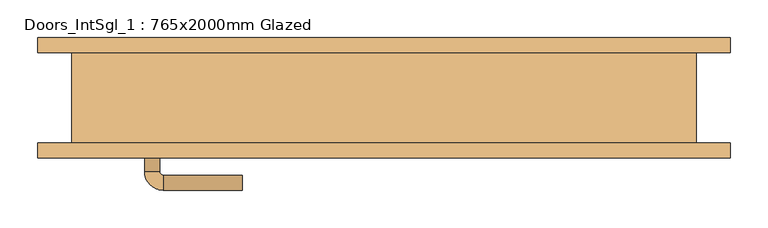
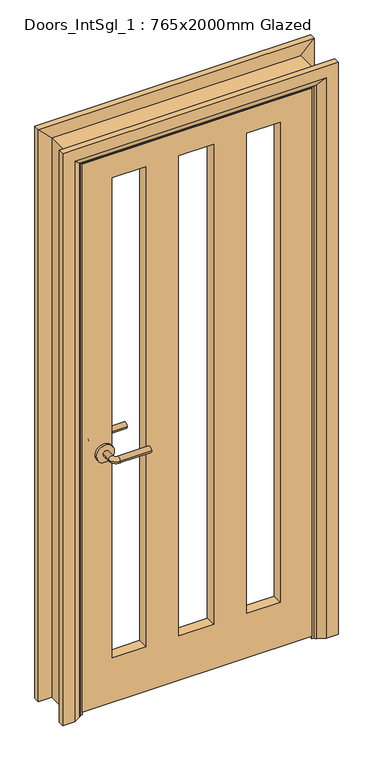
"""IFC4 building model written with IfcOpenShell, lengths in millimetres: door geometry, Doors_IntSgl_1 : 765x2000mm Glazed."""

from ifc_helpers import new_model, si_unit, point, frame, frame_2d, origin, place, context, project, spatial, polyline, circle_curve, ellipse_curve, trimmed, segment, composite_curve, outline, extrude, faceted_brep, source, transform, mapped, element, save
from ifc_brep_helpers import plane_surface, cylinder_surface, revolved_surface, advanced_brep


def doors_intsgl_1_765x2000mm_glazed_9d7782f7(model_context):
    return source(origin(), model_context, "Body", "SolidModel", [
        advanced_brep(
        [(-318.0, -17.0, 900.0), (-298.0, -17.0, 900.0), (-318.0, 13.0, 900.0), (-298.0, 13.0, 900.0), (-293.0, 18.0, 900.0), (-293.0, 38.0, 900.0), (-188.0, 38.0, 900.0), (-188.0, 18.0, 900.0)],
        [
            (0, 1, circle_curve(frame((-308.0, -17.0, 900.0), z_axis=(0.0, -1.0, 0.0), x_axis=(1.0, 0.0, 0.0)), 10.0)),
            (1, 0, circle_curve(frame((-308.0, -17.0, 900.0), z_axis=(0.0, -1.0, 0.0), x_axis=(1.0, 0.0, 0.0)), 10.0)),
            (0, 2),
            (2, 3, circle_curve(frame((-308.0, 13.0, 900.0), z_axis=(0.0, -1.0, 0.0), x_axis=(1.0, 0.0, 0.0)), 10.0)),
            (3, 1),
            (3, 2, circle_curve(frame((-308.0, 13.0, 900.0), z_axis=(0.0, -1.0, 0.0), x_axis=(1.0, 0.0, 0.0)), 10.0)),
            (4, 3, circle_curve(frame((-293.0, 13.0, 900.0), z_axis=(0.0, 0.0, 1.0), x_axis=(-1.0, 0.0, 0.0)), 5.0)),
            (2, 5, circle_curve(frame((-293.0, 13.0, 900.0), z_axis=(0.0, 0.0, -1.0), x_axis=(-1.0, 0.0, 0.0)), 25.0)),
            (5, 4, circle_curve(frame((-293.0, 28.0, 900.0), z_axis=(-1.0, 0.0, 0.0), x_axis=(0.0, -1.0, 0.0)), 10.0)),
            (4, 5, circle_curve(frame((-293.0, 28.0, 900.0), z_axis=(-1.0, 0.0, 0.0), x_axis=(0.0, -1.0, 0.0)), 10.0)),
            (6, 7, circle_curve(frame((-188.0, 28.0, 900.0), z_axis=(1.0, 0.0, 0.0), x_axis=(0.0, -1.0, 0.0)), 10.0)),
            (7, 6, circle_curve(frame((-188.0, 28.0, 900.0), z_axis=(1.0, 0.0, 0.0), x_axis=(0.0, -1.0, 0.0)), 10.0)),
            (5, 6),
            (7, 4),
        ],
        [
            plane_surface(frame((-308.0, -17.0, 900.0), z_axis=(0.0, -1.0, 0.0), x_axis=(0.0, 0.0, 1.0))),
            cylinder_surface(frame((-308.0, -17.0, 900.0), z_axis=(0.0, -1.0, 0.0), x_axis=(1.0, 0.0, 0.0)), 10.0),
            revolved_surface(trimmed(ellipse_curve(frame((-308.0, 13.0, 900.0), z_axis=(0.0, -1.0, 0.0), x_axis=(1.0, 0.0, 0.0)), 10.0, 10.0), [point((-318.0, 13.0, 900.0))], [point((-298.0, 13.0, 900.0))], True, "CARTESIAN"), (-293.0, 13.0, 900.0), (0.0, 0.0, -1.0)),
            revolved_surface(trimmed(ellipse_curve(frame((-308.0, 13.0, 900.0), z_axis=(0.0, -1.0, 0.0), x_axis=(1.0, 0.0, 0.0)), 10.0, 10.0), [point((-298.0, 13.0, 900.0))], [point((-318.0, 13.0, 900.0))], True, "CARTESIAN"), (-293.0, 13.0, 900.0), (0.0, 0.0, -1.0)),
            plane_surface(frame((-188.0, 28.0, 900.0), z_axis=(1.0, 0.0, 0.0), x_axis=(0.0, 0.0, 1.0))),
            cylinder_surface(frame((-293.0, 28.0, 900.0), z_axis=(-1.0, 0.0, 0.0), x_axis=(0.0, -1.0, 0.0)), 10.0),
        ],
        [
            (0, [[1, 2]]),
            (1, [[-1, 3, 4, 5]]),
            (1, [[-2, -5, 6, -3]]),
            (2, [[7, -4, 8, 9]]),
            (3, [[-8, -6, -7, 10]]),
            (4, [[11, 12]]),
            (5, [[-9, 13, -12, 14]]),
            (5, [[-10, -14, -11, -13]]),
        ],
    ),
        extrude(outline(composite_curve([segment(trimmed(circle_curve(frame_2d((900.0, -310.5)), 30.0), [point((900.0, -340.5))], [point((900.0, -280.5))], False, "CARTESIAN"), True, "CONTINUOUS"), segment(trimmed(circle_curve(frame_2d((900.0, -310.5)), 30.0), [point((900.0, -280.5))], [point((900.0, -340.5))], False, "CARTESIAN"), True, "CONTINUOUS")], self_intersect=False)), frame((0.0, -25.0, 0.0), z_axis=(0.0, 1.0, 0.0), x_axis=(0.0, 0.0, 1.0)), (0.0, 0.0, 1.0), 8.0),
        advanced_brep(
        [(-318.0, -68.0, 900.0), (-298.0, -68.0, 900.0), (-298.0, -98.0, 900.0), (-318.0, -98.0, 900.0), (-293.0, -103.0, 900.0), (-293.0, -123.0, 900.0), (-188.0, -123.0, 900.0), (-188.0, -103.0, 900.0)],
        [
            (0, 1, circle_curve(frame((-308.0, -68.0, 900.0), z_axis=(0.0, 1.0, 0.0), x_axis=(1.0, 0.0, 0.0)), 10.0)),
            (1, 0, circle_curve(frame((-308.0, -68.0, 900.0), z_axis=(0.0, 1.0, 0.0), x_axis=(1.0, 0.0, 0.0)), 10.0)),
            (1, 2),
            (2, 3, circle_curve(frame((-308.0, -98.0, 900.0), z_axis=(0.0, 1.0, 0.0), x_axis=(1.0, 0.0, 0.0)), 10.0)),
            (3, 0),
            (3, 2, circle_curve(frame((-308.0, -98.0, 900.0), z_axis=(0.0, 1.0, 0.0), x_axis=(1.0, 0.0, 0.0)), 10.0)),
            (4, 5, circle_curve(frame((-293.0, -113.0, 900.0), z_axis=(-1.0, 0.0, 0.0), x_axis=(0.0, 1.0, 0.0)), 10.0)),
            (5, 3, circle_curve(frame((-293.0, -98.0, 900.0), z_axis=(0.0, 0.0, -1.0), x_axis=(-1.0, 0.0, 0.0)), 25.0)),
            (2, 4, circle_curve(frame((-293.0, -98.0, 900.0), z_axis=(0.0, 0.0, 1.0), x_axis=(-1.0, 0.0, 0.0)), 5.0)),
            (5, 4, circle_curve(frame((-293.0, -113.0, 900.0), z_axis=(-1.0, 0.0, 0.0), x_axis=(0.0, 1.0, 0.0)), 10.0)),
            (6, 7, circle_curve(frame((-188.0, -113.0, 900.0), z_axis=(1.0, 0.0, 0.0), x_axis=(0.0, 1.0, 0.0)), 10.0)),
            (7, 6, circle_curve(frame((-188.0, -113.0, 900.0), z_axis=(1.0, 0.0, 0.0), x_axis=(0.0, 1.0, 0.0)), 10.0)),
            (4, 7),
            (6, 5),
        ],
        [
            plane_surface(frame((-308.0, -68.0, 900.0), z_axis=(0.0, 1.0, 0.0), x_axis=(0.0, 0.0, 1.0))),
            cylinder_surface(frame((-308.0, -68.0, 900.0), z_axis=(0.0, 1.0, 0.0), x_axis=(1.0, 0.0, 0.0)), 10.0),
            revolved_surface(trimmed(ellipse_curve(frame((-308.0, -98.0, 900.0), z_axis=(0.0, -1.0, 0.0), x_axis=(1.0, 0.0, 0.0)), 10.0, 10.0), [point((-318.0, -98.0, 900.0))], [point((-298.0, -98.0, 900.0))], True, "CARTESIAN"), (-293.0, -98.0, 900.0), (0.0, 0.0, -1.0)),
            revolved_surface(trimmed(ellipse_curve(frame((-308.0, -98.0, 900.0), z_axis=(0.0, -1.0, 0.0), x_axis=(1.0, 0.0, 0.0)), 10.0, 10.0), [point((-298.0, -98.0, 900.0))], [point((-318.0, -98.0, 900.0))], True, "CARTESIAN"), (-293.0, -98.0, 900.0), (0.0, 0.0, -1.0)),
            plane_surface(frame((-188.0, -113.0, 900.0), z_axis=(1.0, 0.0, 0.0), x_axis=(0.0, 0.0, 1.0))),
            cylinder_surface(frame((-293.0, -113.0, 900.0), z_axis=(-1.0, 0.0, 0.0), x_axis=(0.0, 1.0, 0.0)), 10.0),
        ],
        [
            (0, [[1, 2]]),
            (1, [[3, 4, 5, -2]]),
            (1, [[-5, 6, -3, -1]]),
            (2, [[7, 8, -4, 9]]),
            (3, [[10, -9, -6, -8]]),
            (4, [[11, 12]]),
            (5, [[13, -11, 14, -7]]),
            (5, [[-14, -12, -13, -10]]),
        ],
    ),
        extrude(outline(composite_curve([segment(trimmed(circle_curve(frame_2d((900.0, -310.5)), 30.0), [point((900.0, -340.5))], [point((900.0, -280.5))], False, "CARTESIAN"), True, "CONTINUOUS"), segment(trimmed(circle_curve(frame_2d((900.0, -310.5)), 30.0), [point((900.0, -280.5))], [point((900.0, -340.5))], False, "CARTESIAN"), True, "CONTINUOUS")], self_intersect=False)), frame((0.0, -68.0, 0.0), z_axis=(0.0, 1.0, 0.0), x_axis=(0.0, 0.0, 1.0)), (0.0, 0.0, 1.0), 8.0),
        extrude(outline(polyline([(1941.0, -383.0), (8.0, -383.0), (8.0, 383.0), (1941.0, 383.0), (1941.0, -383.0)]), holes=[polyline([(165.9867055, -60.7079267), (1858.9867055, -60.7079267), (1858.9867055, 55.2920733), (165.9867055, 55.2920733), (165.9867055, -60.7079267)]), polyline([(1858.9867055, -170.7079267), (165.9867055, -170.7079267), (165.9867055, -282.7079267), (1858.9867055, -282.7079267), (1858.9867055, -170.7079267)]), polyline([(165.9867055, 165.2920733), (1858.9867055, 165.2920733), (1858.9867055, 277.2920733), (165.9867055, 277.2920733), (165.9867055, 165.2920733)])]), frame((0.0, -60.0, 0.0), z_axis=(0.0, 1.0, 0.0), x_axis=(0.0, 0.0, 1.0)), (0.0, 0.0, 1.0), 35.0),
        advanced_brep(
        [(460.0, -80.0, 0.0), (420.0, -80.0, 0.0), (394.0, -66.0, 0.0), (390.0, -60.0, 0.0), (460.0, -60.0, 0.0), (460.0, -60.0, 2018.0), (460.0, -80.0, 2018.0), (390.0, -60.0, 1948.0), (-390.0, -60.0, 1948.0), (-390.0, -60.0, 0.0), (-460.0, -60.0, 0.0), (-460.0, -60.0, 2018.0), (394.0, -66.0, 1952.0), (420.0, -80.0, 1978.0), (-460.0, -80.0, 2018.0), (-460.0, -80.0, 0.0), (-420.0, -80.0, 0.0), (-420.0, -80.0, 1978.0), (-394.0, -66.0, 0.0), (-394.0, -66.0, 1952.0)],
        [
            (0, 1),
            (1, 2),
            (2, 3, circle_curve(frame((398.0, -59.0, 0.0), z_axis=(0.0, 0.0, -1.0), x_axis=(1.0, 0.0, 0.0)), 8.0622577)),
            (3, 4),
            (4, 0),
            (4, 5),
            (5, 6),
            (6, 0),
            (3, 7),
            (7, 8),
            (8, 9),
            (9, 10),
            (10, 11),
            (11, 5),
            (2, 12),
            (12, 7, ellipse_curve(frame((398.0, -59.0, 1956.0), z_axis=(0.7071067811865475, 0.0, -0.7071067811865475), x_axis=(-0.7071067811865474, 0.0, -0.7071067811865476)), 11.4017543, 8.0622577)),
            (1, 13),
            (13, 12),
            (6, 14),
            (14, 15),
            (15, 16),
            (16, 17),
            (17, 13),
            (10, 15),
            (14, 11),
            (9, 18, circle_curve(frame((-398.0, -59.0, 0.0), z_axis=(0.0, 0.0, -1.0), x_axis=(-1.0, 0.0, 0.0)), 8.0622577)),
            (18, 16),
            (19, 18),
            (8, 19, ellipse_curve(frame((-398.0, -59.0, 1956.0), z_axis=(-0.7071067811865475, 0.0, -0.7071067811865475), x_axis=(-0.7071067811865474, 0.0, 0.7071067811865476)), 11.4017543, 8.0622577)),
            (19, 17),
            (12, 19),
        ],
        [
            plane_surface(frame((390.0, -60.0, 0.0), z_axis=(0.0, 0.0, -1.0), x_axis=(0.0, 1.0, 0.0))),
            plane_surface(frame((460.0, -80.0, 0.0), z_axis=(1.0, 0.0, 0.0), x_axis=(0.0, 0.0, 1.0))),
            plane_surface(frame((460.0, -60.0, 0.0), z_axis=(0.0, 1.0, 0.0), x_axis=(0.0, 0.0, 1.0))),
            cylinder_surface(frame((398.0, -59.0, 0.0), z_axis=(0.0, 0.0, -1.0), x_axis=(1.0, 0.0, 0.0)), 8.0622577),
            plane_surface(frame((394.0, -66.0, 0.0), z_axis=(-0.4740998230350126, -0.880471099922178, 0.0), x_axis=(0.0, 0.0, 1.0))),
            plane_surface(frame((420.0, -80.0, 0.0), z_axis=(0.0, -1.0, 0.0), x_axis=(0.0, 0.0, 1.0))),
            plane_surface(frame((-460.0, -80.0, 2018.0), z_axis=(-1.0, 0.0, 0.0), x_axis=(0.0, 0.0, -1.0))),
            plane_surface(frame((-390.0, -60.0, 0.0), z_axis=(0.0, 0.0, -1.0), x_axis=(0.0, 1.0, 0.0))),
            cylinder_surface(frame((-398.0, -59.0, 1948.0), z_axis=(0.0, 0.0, 1.0), x_axis=(-1.0, 0.0, 0.0)), 8.0622577),
            plane_surface(frame((-394.0, -66.0, 1952.0), z_axis=(0.47409982303501824, -0.8804710999221749, 0.0), x_axis=(0.0, 0.0, -1.0))),
            plane_surface(frame((460.0, -80.0, 2018.0), z_axis=(0.0, 0.0, 1.0), x_axis=(-1.0, 0.0, 0.0))),
            cylinder_surface(frame((390.0, -59.0, 1956.0), z_axis=(1.0, 0.0, 0.0), x_axis=(0.0, 0.0, 1.0)), 8.0622577),
            plane_surface(frame((394.0, -66.0, 1952.0), z_axis=(0.0, -0.8804710999221764, -0.4740998230350154), x_axis=(-1.0, 0.0, 0.0))),
        ],
        [
            (0, [[1, 2, 3, 4, 5]]),
            (1, [[6, 7, 8, -5]]),
            (2, [[9, 10, 11, 12, 13, 14, -6, -4]]),
            (3, [[15, 16, -9, -3]]),
            (4, [[17, 18, -15, -2]]),
            (5, [[-8, 19, 20, 21, 22, 23, -17, -1]]),
            (6, [[-13, 24, -20, 25]]),
            (7, [[-24, -12, 26, 27, -21]]),
            (8, [[28, -26, -11, 29]]),
            (9, [[-22, -27, -28, 30]]),
            (10, [[-14, -25, -19, -7]]),
            (11, [[31, -29, -10, -16]]),
            (12, [[-23, -30, -31, -18]]),
        ],
    ),
        extrude(outline(polyline([(0.0, -366.0), (1924.0, -366.0), (1924.0, 366.0), (0.0, 366.0), (0.0, 385.0), (1943.0, 385.0), (1943.0, -385.0), (0.0, -385.0), (0.0, -366.0)])), frame((0.0, -23.0, 0.0), z_axis=(0.0, 1.0, 0.0), x_axis=(0.0, 0.0, 1.0)), (0.0, 0.0, 1.0), 32.0),
        advanced_brep(
        [(-460.0, 80.0, 0.0), (-420.0, 80.0, 0.0), (-394.0, 66.0, 0.0), (-390.0, 60.0, 0.0), (-460.0, 60.0, 0.0), (-460.0, 60.0, 2018.0), (-460.0, 80.0, 2018.0), (-390.0, 60.0, 1948.0), (-394.0, 66.0, 1952.0), (-420.0, 80.0, 1978.0), (460.0, 80.0, 0.0), (460.0, 60.0, 0.0), (390.0, 60.0, 0.0), (394.0, 66.0, 0.0), (420.0, 80.0, 0.0), (460.0, 80.0, 2018.0), (420.0, 80.0, 1978.0), (394.0, 66.0, 1952.0), (390.0, 60.0, 1948.0), (460.0, 60.0, 2018.0)],
        [
            (0, 1),
            (1, 2),
            (2, 3, circle_curve(frame((-398.0, 59.0, 0.0), z_axis=(0.0, 0.0, -1.0), x_axis=(-1.0, 0.0, 0.0)), 8.0622577)),
            (3, 4),
            (4, 0),
            (4, 5),
            (5, 6),
            (6, 0),
            (3, 7),
            (7, 5),
            (2, 8),
            (8, 7, ellipse_curve(frame((-398.0, 59.0, 1956.0), z_axis=(-0.7071067811865475, 0.0, -0.7071067811865475), x_axis=(0.7071067811865474, 0.0, -0.7071067811865476)), 11.4017543, 8.0622577)),
            (1, 9),
            (9, 8),
            (6, 9),
            (10, 11),
            (11, 12),
            (12, 13, circle_curve(frame((398.0, 59.0, 0.0), z_axis=(0.0, 0.0, -1.0), x_axis=(1.0, 0.0, 0.0)), 8.0622577)),
            (13, 14),
            (14, 10),
            (15, 10),
            (14, 16),
            (16, 15),
            (13, 17),
            (17, 16),
            (12, 18),
            (18, 17, ellipse_curve(frame((398.0, 59.0, 1956.0), z_axis=(0.7071067811865475, 0.0, -0.7071067811865475), x_axis=(0.7071067811865474, 0.0, 0.7071067811865476)), 11.4017543, 8.0622577)),
            (11, 19),
            (19, 18),
            (15, 19),
            (5, 19),
            (15, 6),
            (7, 18),
            (8, 17),
            (9, 16),
        ],
        [
            plane_surface(frame((-390.0, 132.8010989, 0.0), z_axis=(0.0, 0.0, -1.0), x_axis=(1.0, 0.0, 0.0))),
            plane_surface(frame((-460.0, 80.0, 0.0), z_axis=(-1.0, 0.0, 0.0), x_axis=(0.0, 0.0, 1.0))),
            plane_surface(frame((-460.0, 60.0, 0.0), z_axis=(0.0, -1.0, 0.0), x_axis=(0.0, 0.0, 1.0))),
            cylinder_surface(frame((-398.0, 59.0, 0.0), z_axis=(0.0, 0.0, -1.0), x_axis=(-1.0, 0.0, 0.0)), 8.0622577),
            plane_surface(frame((-394.0, 66.0, 0.0), z_axis=(0.4740998230350183, 0.8804710999221749, 0.0), x_axis=(0.0, 0.0, 1.0))),
            plane_surface(frame((-420.0, 80.0, 0.0), z_axis=(0.0, 1.0, 0.0), x_axis=(0.0, 0.0, 1.0))),
            plane_surface(frame((390.0, 132.8010989, 0.0), z_axis=(0.0, 0.0, -1.0), x_axis=(-1.0, 0.0, 0.0))),
            plane_surface(frame((420.0, 80.0, 1978.0), z_axis=(0.0, 1.0, 0.0), x_axis=(0.0, 0.0, -1.0))),
            plane_surface(frame((394.0, 66.0, 1952.0), z_axis=(-0.4740998230350183, 0.8804710999221749, 0.0), x_axis=(0.0, 0.0, -1.0))),
            cylinder_surface(frame((398.0, 59.0, 1948.0), z_axis=(0.0, 0.0, 1.0), x_axis=(1.0, 0.0, 0.0)), 8.0622577),
            plane_surface(frame((460.0, 60.0, 2018.0), z_axis=(0.0, -1.0, 0.0), x_axis=(0.0, 0.0, -1.0))),
            plane_surface(frame((460.0, 80.0, 2018.0), z_axis=(1.0, 0.0, 0.0), x_axis=(0.0, 0.0, -1.0))),
            plane_surface(frame((-460.0, 80.0, 2018.0), z_axis=(0.0, 0.0, 1.0), x_axis=(1.0, 0.0, 0.0))),
            plane_surface(frame((-460.0, 60.0, 2018.0), z_axis=(0.0, -1.0, 0.0), x_axis=(1.0, 0.0, 0.0))),
            cylinder_surface(frame((-390.0, 59.0, 1956.0), z_axis=(-1.0, 0.0, 0.0), x_axis=(0.0, 0.0, 1.0)), 8.0622577),
            plane_surface(frame((-394.0, 66.0, 1952.0), z_axis=(0.0, 0.8804710999221749, -0.4740998230350183), x_axis=(1.0, 0.0, 0.0))),
            plane_surface(frame((-420.0, 80.0, 1978.0), z_axis=(0.0, 1.0, 0.0), x_axis=(1.0, 0.0, 0.0))),
        ],
        [
            (0, [[1, 2, 3, 4, 5]]),
            (1, [[6, 7, 8, -5]]),
            (2, [[9, 10, -6, -4]]),
            (3, [[11, 12, -9, -3]]),
            (4, [[13, 14, -11, -2]]),
            (5, [[-8, 15, -13, -1]]),
            (6, [[16, 17, 18, 19, 20]]),
            (7, [[21, -20, 22, 23]]),
            (8, [[-22, -19, 24, 25]]),
            (9, [[-24, -18, 26, 27]]),
            (10, [[-26, -17, 28, 29]]),
            (11, [[-28, -16, -21, 30]]),
            (12, [[31, -30, 32, -7]]),
            (13, [[33, -29, -31, -10]]),
            (14, [[34, -27, -33, -12]]),
            (15, [[35, -25, -34, -14]]),
            (16, [[-32, -23, -35, -15]]),
        ],
    ),
        faceted_brep([(-383.0, -60.0, 0.0), (-415.0, -60.0, 0.0), (-415.0, 60.0, 0.0), (-383.0, 60.0, 0.0), (-383.0, 60.0, 1941.0), (-383.0, -60.0, 1941.0), (-415.0, 60.0, 1973.0), (-415.0, -60.0, 1973.0), (383.0, -60.0, 0.0), (383.0, 60.0, 0.0), (415.0, 60.0, 0.0), (415.0, -60.0, 0.0), (383.0, -60.0, 1941.0), (415.0, -60.0, 1973.0), (415.0, 60.0, 1973.0), (383.0, 60.0, 1941.0)], [[[0, 1, 2, 3]], [[3, 4, 5, 0]], [[2, 6, 4, 3]], [[1, 7, 6, 2]], [[0, 5, 7, 1]], [[8, 9, 10, 11]], [[12, 8, 11, 13]], [[13, 11, 10, 14]], [[14, 10, 9, 15]], [[15, 9, 8, 12]], [[4, 15, 12, 5]], [[6, 14, 15, 4]], [[7, 13, 14, 6]], [[5, 12, 13, 7]]]),
    ])


if __name__ == "__main__":
    model = new_model("IFC4")
    model_context = context("Model", 3, world=origin())
    ifc_project = project(units=[si_unit("LENGTHUNIT", "METRE", prefix="MILLI")], contexts=[model_context])
    site = spatial("IfcSite", under=ifc_project)
    building = spatial("IfcBuilding", under=site)
    placement = place(None, origin())
    doors_intsgl_1_765x2000mm_glazed_shape = doors_intsgl_1_765x2000mm_glazed_9d7782f7(model_context)
    element("IfcDoor", 1, ObjectType="Doors_IntSgl_1 : 765x2000mm Glazed", at=placement, inside=building, context=model_context, shape_type="MappedRepresentation", body=[
        mapped(doors_intsgl_1_765x2000mm_glazed_shape, transform((0.0, 0.0, 0.0), x_axis=(1.0, 0.0, 0.0), y_axis=(0.0, 1.0, 0.0), z_axis=(0.0, 0.0, 1.0))),
    ])
    save(model, "model.ifc")
